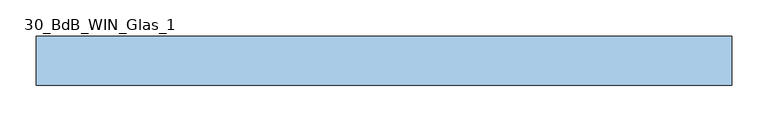
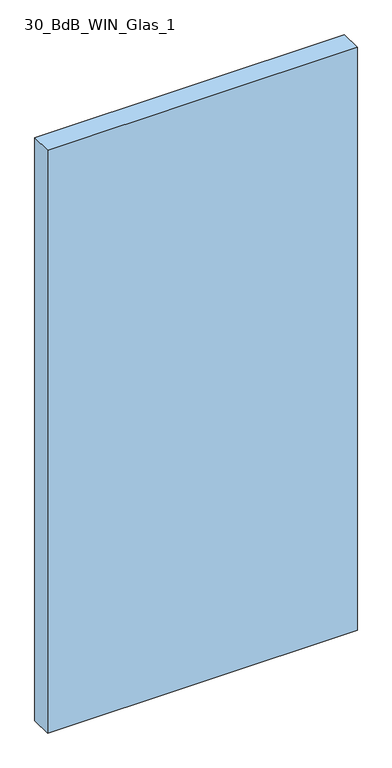
"""IFC4 building model written with IfcOpenShell, lengths in millimetres: window geometry, 30_BdB_WIN_Glas_1."""

from ifc_helpers import new_model, si_unit, origin, origin_with_axes, place, context, project, spatial, polyline, outline, extrude, source, transform, mapped, element, save


def window_30_bdb_win_glas_1_552147a7(model_context):
    return source(origin(), model_context, "Body", "SweptSolid", [
        extrude(outline(polyline([(-480.5, 0.0), (480.5, 0.0), (480.5, -68.0), (-480.5, -68.0), (-480.5, 0.0)])), origin_with_axes(), (0.0, 0.0, 1.0), 1911.0),
    ])


if __name__ == "__main__":
    model = new_model("IFC4")
    model_context = context("Model", 3, world=origin())
    ifc_project = project(units=[si_unit("LENGTHUNIT", "METRE", prefix="MILLI")], contexts=[model_context])
    site = spatial("IfcSite", under=ifc_project)
    building = spatial("IfcBuilding", under=site)
    placement = place(None, origin())
    window_30_bdb_win_glas_1_shape = window_30_bdb_win_glas_1_552147a7(model_context)
    element("IfcWindow", 1, ObjectType="30_BdB_WIN_Glas_1", at=placement, inside=building, context=model_context, shape_type="MappedRepresentation", body=[
        mapped(window_30_bdb_win_glas_1_shape, transform((0.0, 0.0, 0.0), x_axis=(1.0, 0.0, 0.0), y_axis=(0.0, 1.0, 0.0), z_axis=(0.0, 0.0, 1.0))),
    ])
    save(model, "model.ifc")
